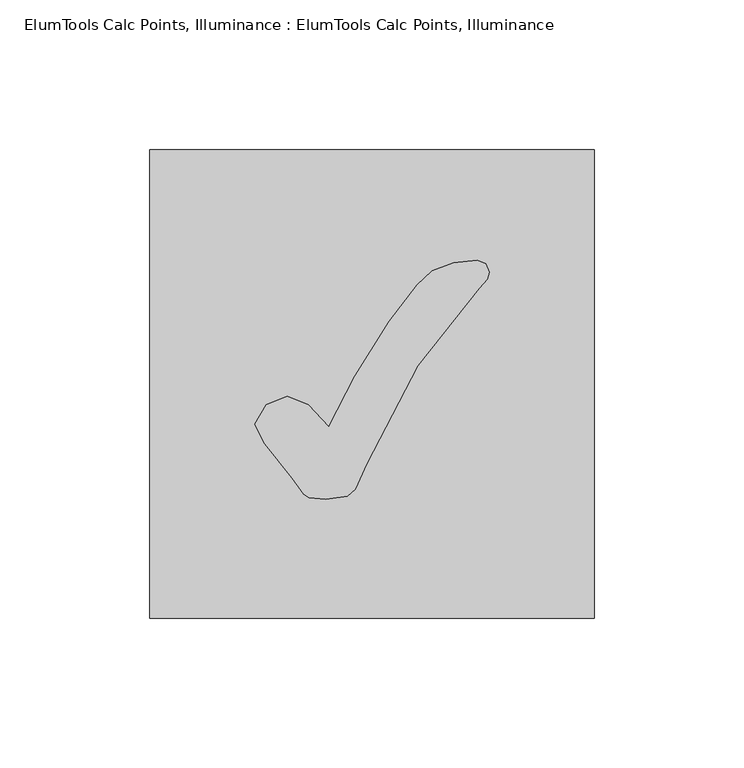
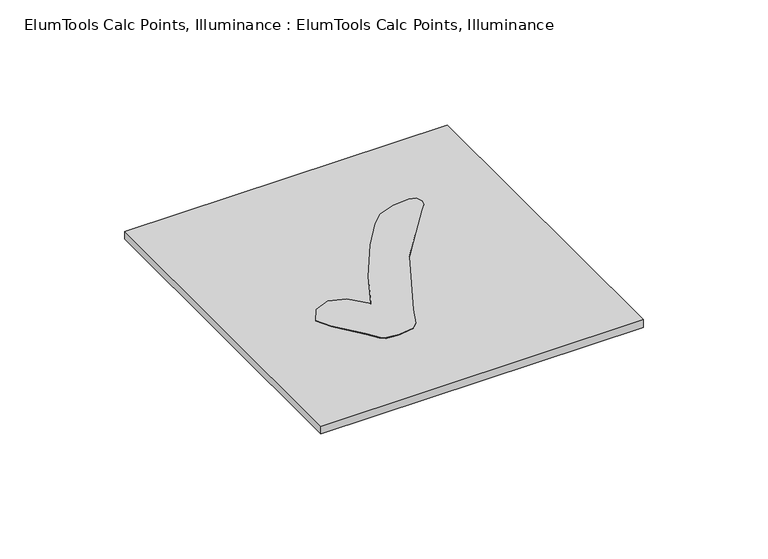
"""IFC4 building model written with IfcOpenShell, lengths in millimetres: proxy geometry, ElumTools Calc Points, Illuminance : ElumTools Calc Points, Illuminance."""

from ifc_helpers import new_model, si_unit, origin, origin_with_axes, place, context, project, spatial, polyline, outline, extrude, source, transform, mapped, element, save


def elumtools_calc_points_illuminance_elumtools_calc_points_7026f8a3(model_context):
    return source(origin(), model_context, "Body", "SweptSolid", [
        extrude(outline(polyline([(-14.4407308, -14.3331248), (-5.681599, 2.6040662), (5.8107263, 21.0046993), (15.1724519, 33.1749426), (20.1546116, 37.9418903), (27.374977, 40.5136747), (35.230218, 41.32072), (38.1248206, 40.233899), (39.254684, 37.3823389), (38.5982871, 35.0365272), (35.8758543, 32.0881216), (15.2477761, 6.0797414), (-1.7647391, -26.6217347), (-5.5955142, -35.1333726), (-8.210341, -37.4791843), (-15.4522276, -38.5660053), (-20.9939387, -38.0279751), (-22.8555232, -36.8873511), (-26.5786923, -31.5931338), (-35.7897695, -19.9501601), (-39.254684, -13.4937976), (-35.3055423, -6.9298291), (-28.3219102, -4.132072), (-21.230672, -6.9190685), (-14.4407308, -14.3331248)])), origin_with_axes(), (0.0, 0.0, 1.0), 3.81),
        extrude(outline(polyline([(-74.377296, -78.4098), (-74.377296, 78.4098), (74.377296, 78.4098), (74.377296, -78.4098), (-74.377296, -78.4098)])), origin_with_axes(), (0.0, 0.0, 1.0), 3.6957),
    ])


if __name__ == "__main__":
    model = new_model("IFC4")
    model_context = context("Model", 3, world=origin())
    ifc_project = project(units=[si_unit("LENGTHUNIT", "METRE", prefix="MILLI")], contexts=[model_context])
    site = spatial("IfcSite", under=ifc_project)
    building = spatial("IfcBuilding", under=site)
    placement = place(None, origin())
    elumtools_calc_points_illuminance_elumtools_calc_points_shape = elumtools_calc_points_illuminance_elumtools_calc_points_7026f8a3(model_context)
    element("IfcBuildingElementProxy", 1, Name="ElumTools Calc Points, Illuminance : ElumTools Calc Points, Illuminance", ObjectType="ElumTools Calc Points, Illuminance : ElumTools Calc Points, Illuminance", at=placement, inside=building, context=model_context, shape_type="MappedRepresentation", body=[
        mapped(elumtools_calc_points_illuminance_elumtools_calc_points_shape, transform((0.0, 0.0, 0.0), x_axis=(1.0, 0.0, 0.0), y_axis=(0.0, 1.0, 0.0), z_axis=(0.0, 0.0, 1.0))),
    ])
    save(model, "model.ifc")
